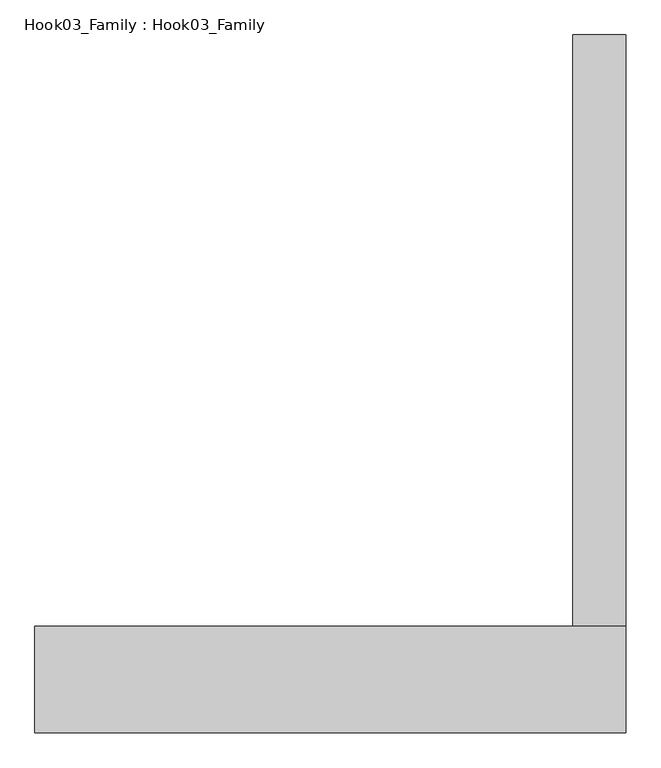
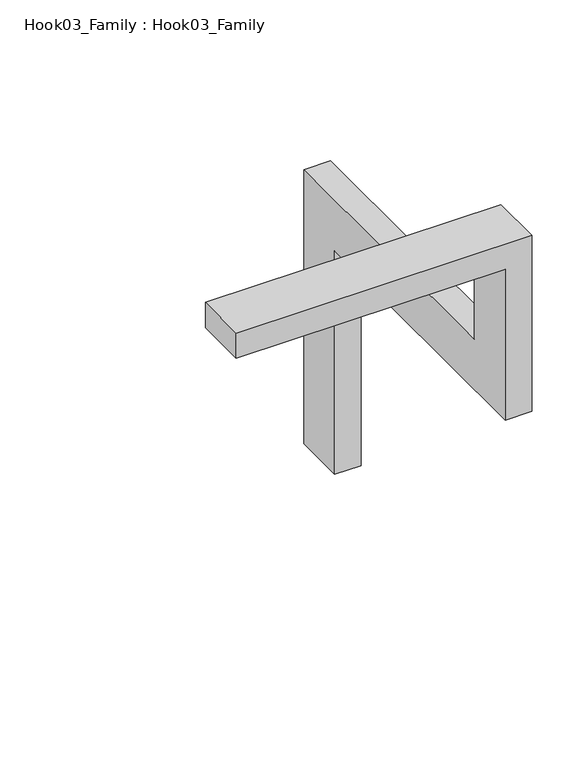
"""IFC4 building model written with IfcOpenShell, lengths in millimetres: proxy geometry, Hook03_Family : Hook03_Family."""

from ifc_helpers import new_model, si_unit, origin, place, context, project, spatial, faceted_brep, source, transform, mapped, element, save


def hook03_family_hook03_family_68ee5b03(model_context):
    return source(origin(), model_context, "Body", "Brep", [
        faceted_brep([(0.0, 450.0, 0.0), (0.0, -450.0, 0.0), (0.0, -450.0, 450.0), (0.0, 450.0, 450.0), (4550.0, 450.0, 0.0), (4550.0, -450.0, 0.0), (4550.0, -450.0, -2700.0), (5000.0, -450.0, -2700.0), (5000.0, -450.0, 450.0), (5000.0, 450.0, 450.0), (5000.0, 450.0, -1800.0), (4550.0, 450.0, -1800.0), (4550.0, 5450.0, -1800.0), (4550.0, 5450.0, -6700.0), (4550.0, 4550.0, -6700.0), (4550.0, 4550.0, -2700.0), (5000.0, 4550.0, -2700.0), (5000.0, 4550.0, -6700.0), (5000.0, 5450.0, -6700.0), (5000.0, 5450.0, -1800.0)], [[[0, 1, 2, 3]], [[1, 0, 4, 5]], [[2, 1, 5, 6, 7, 8]], [[3, 2, 8, 9]], [[0, 3, 9, 10, 11, 4]], [[5, 4, 11, 12, 13, 14, 15, 6]], [[9, 8, 7, 16, 17, 18, 19, 10]], [[7, 6, 15, 16]], [[11, 10, 19, 12]], [[13, 18, 17, 14]], [[16, 15, 14, 17]], [[12, 19, 18, 13]]]),
    ])


if __name__ == "__main__":
    model = new_model("IFC4")
    model_context = context("Model", 3, world=origin())
    ifc_project = project(units=[si_unit("LENGTHUNIT", "METRE", prefix="MILLI")], contexts=[model_context])
    site = spatial("IfcSite", under=ifc_project)
    building = spatial("IfcBuilding", under=site)
    placement = place(None, origin())
    hook03_family_hook03_family_shape = hook03_family_hook03_family_68ee5b03(model_context)
    element("IfcBuildingElementProxy", 1, Name="Hook03_Family : Hook03_Family", ObjectType="Hook03_Family : Hook03_Family", at=placement, inside=building, context=model_context, shape_type="MappedRepresentation", body=[
        mapped(hook03_family_hook03_family_shape, transform((0.0, 0.0, 0.0), x_axis=(1.0, 0.0, 0.0), y_axis=(0.0, 1.0, 0.0), z_axis=(0.0, 0.0, 1.0))),
    ])
    save(model, "model.ifc")
